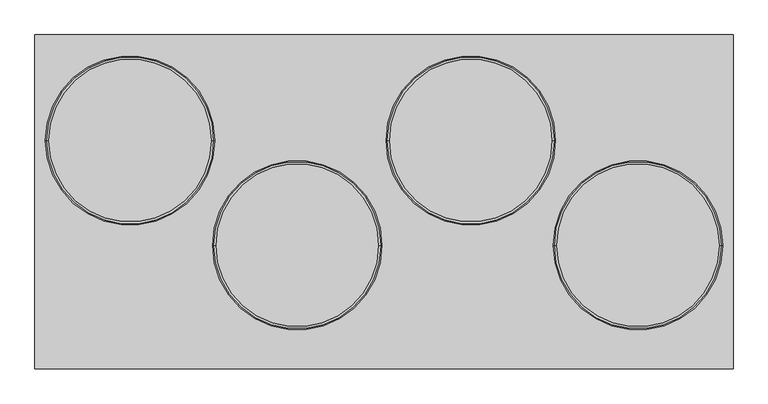
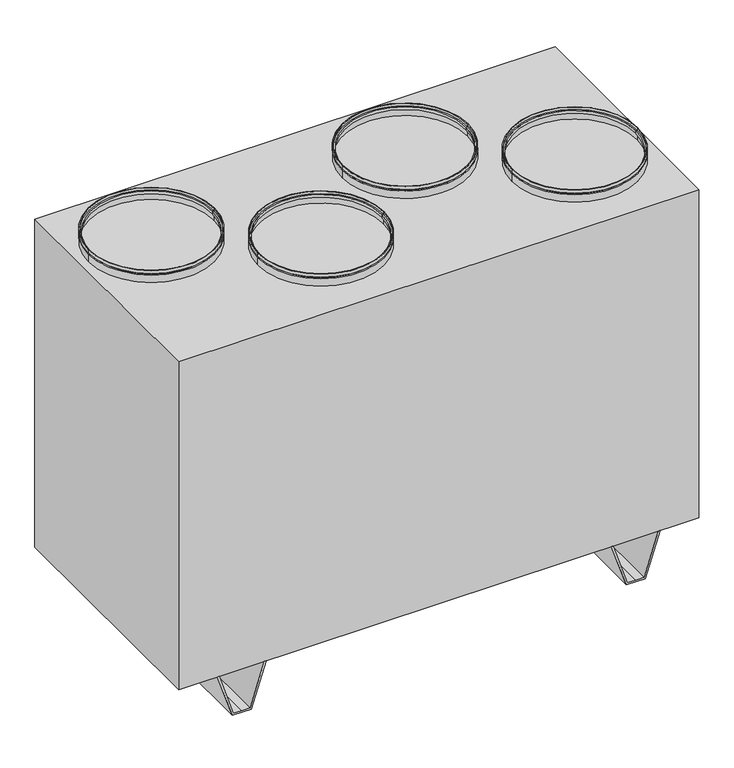
"""IFC4 building model written with IfcOpenShell, lengths in millimetres: proxy geometry."""

from ifc_helpers import new_model, si_unit, frame, origin, place, context, project, spatial, polyline, circle_curve, outline, extrude, source, transform, mapped, element, save
from ifc_brep_helpers import plane_surface, cylinder_surface, revolved_surface, advanced_brep


def mechanical_equipment_287215f2(model_context):
    return source(origin(), model_context, "Body", "SolidModel", [
        advanced_brep(
        [(800.0, -103.0, 1275.0), (400.0, -103.0, 1275.0), (400.0, -103.0, 1285.0), (800.0, -103.0, 1285.0), (795.0, -103.0, 1275.0), (405.0, -103.0, 1275.0), (795.0, -103.0, 1270.0), (405.0, -103.0, 1270.0), (800.0, -103.0, 1270.0), (400.0, -103.0, 1270.0), (800.0, -103.0, 1245.0), (400.0, -103.0, 1245.0), (798.0, -103.0, 1245.0), (402.0, -103.0, 1245.0), (798.0, -103.0, 1268.0), (402.0, -103.0, 1268.0), (793.0, -103.0, 1268.0), (407.0, -103.0, 1268.0), (793.0, -103.0, 1277.0), (407.0, -103.0, 1277.0), (798.0, -103.0, 1277.0), (402.0, -103.0, 1277.0), (798.0, -103.0, 1285.0), (402.0, -103.0, 1285.0)],
        [
            (0, 1, circle_curve(frame((600.0, -103.0, 1275.0), z_axis=(0.0, 0.0, 1.0), x_axis=(-1.0, 0.0, 0.0)), 200.0)),
            (1, 2),
            (2, 3, circle_curve(frame((600.0, -103.0, 1285.0), z_axis=(0.0, 0.0, -1.0), x_axis=(-1.0, 0.0, 0.0)), 200.0)),
            (3, 0),
            (1, 0, circle_curve(frame((600.0, -103.0, 1275.0), z_axis=(0.0, 0.0, 1.0), x_axis=(-1.0, 0.0, 0.0)), 200.0)),
            (3, 2, circle_curve(frame((600.0, -103.0, 1285.0), z_axis=(0.0, 0.0, -1.0), x_axis=(-1.0, 0.0, 0.0)), 200.0)),
            (4, 5, circle_curve(frame((600.0, -103.0, 1275.0), z_axis=(0.0, 0.0, 1.0), x_axis=(-1.0, 0.0, 0.0)), 195.0)),
            (5, 1),
            (0, 4),
            (5, 4, circle_curve(frame((600.0, -103.0, 1275.0), z_axis=(0.0, 0.0, 1.0), x_axis=(-1.0, 0.0, 0.0)), 195.0)),
            (6, 7, circle_curve(frame((600.0, -103.0, 1270.0), z_axis=(0.0, 0.0, 1.0), x_axis=(-1.0, 0.0, 0.0)), 195.0)),
            (7, 5),
            (4, 6),
            (7, 6, circle_curve(frame((600.0, -103.0, 1270.0), z_axis=(0.0, 0.0, 1.0), x_axis=(-1.0, 0.0, 0.0)), 195.0)),
            (8, 9, circle_curve(frame((600.0, -103.0, 1270.0), z_axis=(0.0, 0.0, 1.0), x_axis=(-1.0, 0.0, 0.0)), 200.0)),
            (9, 7),
            (6, 8),
            (9, 8, circle_curve(frame((600.0, -103.0, 1270.0), z_axis=(0.0, 0.0, 1.0), x_axis=(-1.0, 0.0, 0.0)), 200.0)),
            (10, 11, circle_curve(frame((600.0, -103.0, 1245.0), z_axis=(0.0, 0.0, 1.0), x_axis=(-1.0, 0.0, 0.0)), 200.0)),
            (11, 9),
            (8, 10),
            (11, 10, circle_curve(frame((600.0, -103.0, 1245.0), z_axis=(0.0, 0.0, 1.0), x_axis=(-1.0, 0.0, 0.0)), 200.0)),
            (12, 13, circle_curve(frame((600.0, -103.0, 1245.0), z_axis=(0.0, 0.0, 1.0), x_axis=(-1.0, 0.0, 0.0)), 198.0)),
            (13, 11),
            (10, 12),
            (13, 12, circle_curve(frame((600.0, -103.0, 1245.0), z_axis=(0.0, 0.0, 1.0), x_axis=(-1.0, 0.0, 0.0)), 198.0)),
            (14, 15, circle_curve(frame((600.0, -103.0, 1268.0), z_axis=(0.0, 0.0, 1.0), x_axis=(-1.0, 0.0, 0.0)), 198.0)),
            (15, 13),
            (12, 14),
            (15, 14, circle_curve(frame((600.0, -103.0, 1268.0), z_axis=(0.0, 0.0, 1.0), x_axis=(-1.0, 0.0, 0.0)), 198.0)),
            (16, 17, circle_curve(frame((600.0, -103.0, 1268.0), z_axis=(0.0, 0.0, 1.0), x_axis=(-1.0, 0.0, 0.0)), 193.0)),
            (17, 15),
            (14, 16),
            (17, 16, circle_curve(frame((600.0, -103.0, 1268.0), z_axis=(0.0, 0.0, 1.0), x_axis=(-1.0, 0.0, 0.0)), 193.0)),
            (18, 19, circle_curve(frame((600.0, -103.0, 1277.0), z_axis=(0.0, 0.0, 1.0), x_axis=(-1.0, 0.0, 0.0)), 193.0)),
            (19, 17),
            (16, 18),
            (19, 18, circle_curve(frame((600.0, -103.0, 1277.0), z_axis=(0.0, 0.0, 1.0), x_axis=(-1.0, 0.0, 0.0)), 193.0)),
            (20, 21, circle_curve(frame((600.0, -103.0, 1277.0), z_axis=(0.0, 0.0, 1.0), x_axis=(-1.0, 0.0, 0.0)), 198.0)),
            (21, 19),
            (18, 20),
            (21, 20, circle_curve(frame((600.0, -103.0, 1277.0), z_axis=(0.0, 0.0, 1.0), x_axis=(-1.0, 0.0, 0.0)), 198.0)),
            (22, 23, circle_curve(frame((600.0, -103.0, 1285.0), z_axis=(0.0, 0.0, 1.0), x_axis=(-1.0, 0.0, 0.0)), 198.0)),
            (23, 21),
            (20, 22),
            (23, 22, circle_curve(frame((600.0, -103.0, 1285.0), z_axis=(0.0, 0.0, 1.0), x_axis=(-1.0, 0.0, 0.0)), 198.0)),
            (2, 23),
            (22, 3),
        ],
        [
            cylinder_surface(frame((600.0, -103.0, 2820.0440172), z_axis=(0.0, 0.0, -1.0), x_axis=(-1.0, 0.0, 0.0)), 200.0),
            plane_surface(frame((600.0, -103.0, 1275.0), z_axis=(0.0, 0.0, -1.0), x_axis=(-1.0, 0.0, 0.0))),
            cylinder_surface(frame((600.0, -103.0, 2820.0440172), z_axis=(0.0, 0.0, -1.0), x_axis=(-1.0, 0.0, 0.0)), 195.0),
            plane_surface(frame((600.0, -103.0, 1270.0), z_axis=(0.0, 0.0, 1.0), x_axis=(-1.0, 0.0, 0.0))),
            plane_surface(frame((600.0, -103.0, 1245.0), z_axis=(0.0, 0.0, -1.0), x_axis=(-1.0, 0.0, 0.0))),
            revolved_surface(polyline([(402.0, -103.0, 1245.0), (402.0, -103.0, 1268.0)]), (600.0, -103.0, 2820.0440172), (0.0, 0.0, -1.0)),
            plane_surface(frame((600.0, -103.0, 1268.0), z_axis=(0.0, 0.0, -1.0), x_axis=(-1.0, 0.0, 0.0))),
            revolved_surface(polyline([(407.0, -103.0, 1268.0), (407.0, -103.0, 1277.0)]), (600.0, -103.0, 2820.0440172), (0.0, 0.0, -1.0)),
            plane_surface(frame((600.0, -103.0, 1277.0), z_axis=(0.0, 0.0, 1.0), x_axis=(-1.0, 0.0, 0.0))),
            revolved_surface(polyline([(402.0, -103.0, 1277.0), (402.0, -103.0, 1285.0)]), (600.0, -103.0, 2820.0440172), (0.0, 0.0, -1.0)),
            plane_surface(frame((600.0, -103.0, 1285.0), z_axis=(0.0, 0.0, 1.0), x_axis=(-1.0, 0.0, 0.0))),
        ],
        [
            (0, [[1, 2, 3, 4]]),
            (0, [[5, -4, 6, -2]]),
            (1, [[7, 8, -1, 9]]),
            (1, [[10, -9, -5, -8]]),
            (2, [[11, 12, -7, 13]]),
            (2, [[14, -13, -10, -12]]),
            (3, [[15, 16, -11, 17]]),
            (3, [[18, -17, -14, -16]]),
            (0, [[19, 20, -15, 21]]),
            (0, [[22, -21, -18, -20]]),
            (4, [[23, 24, -19, 25]]),
            (4, [[26, -25, -22, -24]]),
            (5, [[27, 28, -23, 29]]),
            (5, [[30, -29, -26, -28]]),
            (6, [[31, 32, -27, 33]]),
            (6, [[34, -33, -30, -32]]),
            (7, [[35, 36, -31, 37]]),
            (7, [[38, -37, -34, -36]]),
            (8, [[39, 40, -35, 41]]),
            (8, [[42, -41, -38, -40]]),
            (9, [[43, 44, -39, 45]]),
            (9, [[46, -45, -42, -44]]),
            (10, [[-3, 47, -43, 48]]),
            (10, [[-6, -48, -46, -47]]),
        ],
    ),
        advanced_brep(
        [(405.0, 145.0, 1275.0), (5.0, 145.0, 1275.0), (5.0, 145.0, 1285.0), (405.0, 145.0, 1285.0), (400.0, 145.0, 1275.0), (10.0, 145.0, 1275.0), (400.0, 145.0, 1270.0), (10.0, 145.0, 1270.0), (405.0, 145.0, 1270.0), (5.0, 145.0, 1270.0), (405.0, 145.0, 1245.0), (5.0, 145.0, 1245.0), (403.0, 145.0, 1245.0), (7.0, 145.0, 1245.0), (403.0, 145.0, 1268.0), (7.0, 145.0, 1268.0), (398.0, 145.0, 1268.0), (12.0, 145.0, 1268.0), (398.0, 145.0, 1277.0), (12.0, 145.0, 1277.0), (403.0, 145.0, 1277.0), (7.0, 145.0, 1277.0), (403.0, 145.0, 1285.0), (7.0, 145.0, 1285.0)],
        [
            (0, 1, circle_curve(frame((205.0, 145.0, 1275.0), z_axis=(0.0, 0.0, 1.0), x_axis=(-1.0, 0.0, 0.0)), 200.0)),
            (1, 2),
            (2, 3, circle_curve(frame((205.0, 145.0, 1285.0), z_axis=(0.0, 0.0, -1.0), x_axis=(-1.0, 0.0, 0.0)), 200.0)),
            (3, 0),
            (1, 0, circle_curve(frame((205.0, 145.0, 1275.0), z_axis=(0.0, 0.0, 1.0), x_axis=(-1.0, 0.0, 0.0)), 200.0)),
            (3, 2, circle_curve(frame((205.0, 145.0, 1285.0), z_axis=(0.0, 0.0, -1.0), x_axis=(-1.0, 0.0, 0.0)), 200.0)),
            (4, 5, circle_curve(frame((205.0, 145.0, 1275.0), z_axis=(0.0, 0.0, 1.0), x_axis=(-1.0, 0.0, 0.0)), 195.0)),
            (5, 1),
            (0, 4),
            (5, 4, circle_curve(frame((205.0, 145.0, 1275.0), z_axis=(0.0, 0.0, 1.0), x_axis=(-1.0, 0.0, 0.0)), 195.0)),
            (6, 7, circle_curve(frame((205.0, 145.0, 1270.0), z_axis=(0.0, 0.0, 1.0), x_axis=(-1.0, 0.0, 0.0)), 195.0)),
            (7, 5),
            (4, 6),
            (7, 6, circle_curve(frame((205.0, 145.0, 1270.0), z_axis=(0.0, 0.0, 1.0), x_axis=(-1.0, 0.0, 0.0)), 195.0)),
            (8, 9, circle_curve(frame((205.0, 145.0, 1270.0), z_axis=(0.0, 0.0, 1.0), x_axis=(-1.0, 0.0, 0.0)), 200.0)),
            (9, 7),
            (6, 8),
            (9, 8, circle_curve(frame((205.0, 145.0, 1270.0), z_axis=(0.0, 0.0, 1.0), x_axis=(-1.0, 0.0, 0.0)), 200.0)),
            (10, 11, circle_curve(frame((205.0, 145.0, 1245.0), z_axis=(0.0, 0.0, 1.0), x_axis=(-1.0, 0.0, 0.0)), 200.0)),
            (11, 9),
            (8, 10),
            (11, 10, circle_curve(frame((205.0, 145.0, 1245.0), z_axis=(0.0, 0.0, 1.0), x_axis=(-1.0, 0.0, 0.0)), 200.0)),
            (12, 13, circle_curve(frame((205.0, 145.0, 1245.0), z_axis=(0.0, 0.0, 1.0), x_axis=(-1.0, 0.0, 0.0)), 198.0)),
            (13, 11),
            (10, 12),
            (13, 12, circle_curve(frame((205.0, 145.0, 1245.0), z_axis=(0.0, 0.0, 1.0), x_axis=(-1.0, 0.0, 0.0)), 198.0)),
            (14, 15, circle_curve(frame((205.0, 145.0, 1268.0), z_axis=(0.0, 0.0, 1.0), x_axis=(-1.0, 0.0, 0.0)), 198.0)),
            (15, 13),
            (12, 14),
            (15, 14, circle_curve(frame((205.0, 145.0, 1268.0), z_axis=(0.0, 0.0, 1.0), x_axis=(-1.0, 0.0, 0.0)), 198.0)),
            (16, 17, circle_curve(frame((205.0, 145.0, 1268.0), z_axis=(0.0, 0.0, 1.0), x_axis=(-1.0, 0.0, 0.0)), 193.0)),
            (17, 15),
            (14, 16),
            (17, 16, circle_curve(frame((205.0, 145.0, 1268.0), z_axis=(0.0, 0.0, 1.0), x_axis=(-1.0, 0.0, 0.0)), 193.0)),
            (18, 19, circle_curve(frame((205.0, 145.0, 1277.0), z_axis=(0.0, 0.0, 1.0), x_axis=(-1.0, 0.0, 0.0)), 193.0)),
            (19, 17),
            (16, 18),
            (19, 18, circle_curve(frame((205.0, 145.0, 1277.0), z_axis=(0.0, 0.0, 1.0), x_axis=(-1.0, 0.0, 0.0)), 193.0)),
            (20, 21, circle_curve(frame((205.0, 145.0, 1277.0), z_axis=(0.0, 0.0, 1.0), x_axis=(-1.0, 0.0, 0.0)), 198.0)),
            (21, 19),
            (18, 20),
            (21, 20, circle_curve(frame((205.0, 145.0, 1277.0), z_axis=(0.0, 0.0, 1.0), x_axis=(-1.0, 0.0, 0.0)), 198.0)),
            (22, 23, circle_curve(frame((205.0, 145.0, 1285.0), z_axis=(0.0, 0.0, 1.0), x_axis=(-1.0, 0.0, 0.0)), 198.0)),
            (23, 21),
            (20, 22),
            (23, 22, circle_curve(frame((205.0, 145.0, 1285.0), z_axis=(0.0, 0.0, 1.0), x_axis=(-1.0, 0.0, 0.0)), 198.0)),
            (2, 23),
            (22, 3),
        ],
        [
            cylinder_surface(frame((205.0, 145.0, 2820.0440172), z_axis=(0.0, 0.0, -1.0), x_axis=(-1.0, 0.0, 0.0)), 200.0),
            plane_surface(frame((205.0, 145.0, 1275.0), z_axis=(0.0, 0.0, -1.0), x_axis=(-1.0, 0.0, 0.0))),
            cylinder_surface(frame((205.0, 145.0, 2820.0440172), z_axis=(0.0, 0.0, -1.0), x_axis=(-1.0, 0.0, 0.0)), 195.0),
            plane_surface(frame((205.0, 145.0, 1270.0), z_axis=(0.0, 0.0, 1.0), x_axis=(-1.0, 0.0, 0.0))),
            plane_surface(frame((205.0, 145.0, 1245.0), z_axis=(0.0, 0.0, -1.0), x_axis=(-1.0, 0.0, 0.0))),
            revolved_surface(polyline([(7.0, 145.0, 1245.0), (7.0, 145.0, 1268.0)]), (205.0, 145.0, 2820.0440172), (0.0, 0.0, -1.0)),
            plane_surface(frame((205.0, 145.0, 1268.0), z_axis=(0.0, 0.0, -1.0), x_axis=(-1.0, 0.0, 0.0))),
            revolved_surface(polyline([(12.0, 145.0, 1268.0), (12.0, 145.0, 1277.0)]), (205.0, 145.0, 2820.0440172), (0.0, 0.0, -1.0)),
            plane_surface(frame((205.0, 145.0, 1277.0), z_axis=(0.0, 0.0, 1.0), x_axis=(-1.0, 0.0, 0.0))),
            revolved_surface(polyline([(7.0, 145.0, 1277.0), (7.0, 145.0, 1285.0)]), (205.0, 145.0, 2820.0440172), (0.0, 0.0, -1.0)),
            plane_surface(frame((205.0, 145.0, 1285.0), z_axis=(0.0, 0.0, 1.0), x_axis=(-1.0, 0.0, 0.0))),
        ],
        [
            (0, [[1, 2, 3, 4]]),
            (0, [[5, -4, 6, -2]]),
            (1, [[7, 8, -1, 9]]),
            (1, [[10, -9, -5, -8]]),
            (2, [[11, 12, -7, 13]]),
            (2, [[14, -13, -10, -12]]),
            (3, [[15, 16, -11, 17]]),
            (3, [[18, -17, -14, -16]]),
            (0, [[19, 20, -15, 21]]),
            (0, [[22, -21, -18, -20]]),
            (4, [[23, 24, -19, 25]]),
            (4, [[26, -25, -22, -24]]),
            (5, [[27, 28, -23, 29]]),
            (5, [[30, -29, -26, -28]]),
            (6, [[31, 32, -27, 33]]),
            (6, [[34, -33, -30, -32]]),
            (7, [[35, 36, -31, 37]]),
            (7, [[38, -37, -34, -36]]),
            (8, [[39, 40, -35, 41]]),
            (8, [[42, -41, -38, -40]]),
            (9, [[43, 44, -39, 45]]),
            (9, [[46, -45, -42, -44]]),
            (10, [[-3, 47, -43, 48]]),
            (10, [[-6, -48, -46, -47]]),
        ],
    ),
        advanced_brep(
        [(-5.0, -103.0, 1275.0), (-405.0, -103.0, 1275.0), (-405.0, -103.0, 1285.0), (-5.0, -103.0, 1285.0), (-10.0, -103.0, 1275.0), (-400.0, -103.0, 1275.0), (-10.0, -103.0, 1270.0), (-400.0, -103.0, 1270.0), (-5.0, -103.0, 1270.0), (-405.0, -103.0, 1270.0), (-5.0, -103.0, 1245.0), (-405.0, -103.0, 1245.0), (-7.0, -103.0, 1245.0), (-403.0, -103.0, 1245.0), (-7.0, -103.0, 1268.0), (-403.0, -103.0, 1268.0), (-12.0, -103.0, 1268.0), (-398.0, -103.0, 1268.0), (-12.0, -103.0, 1277.0), (-398.0, -103.0, 1277.0), (-7.0, -103.0, 1277.0), (-403.0, -103.0, 1277.0), (-7.0, -103.0, 1285.0), (-403.0, -103.0, 1285.0)],
        [
            (0, 1, circle_curve(frame((-205.0, -103.0, 1275.0), z_axis=(0.0, 0.0, 1.0), x_axis=(-1.0, 0.0, 0.0)), 200.0)),
            (1, 2),
            (2, 3, circle_curve(frame((-205.0, -103.0, 1285.0), z_axis=(0.0, 0.0, -1.0), x_axis=(-1.0, 0.0, 0.0)), 200.0)),
            (3, 0),
            (1, 0, circle_curve(frame((-205.0, -103.0, 1275.0), z_axis=(0.0, 0.0, 1.0), x_axis=(-1.0, 0.0, 0.0)), 200.0)),
            (3, 2, circle_curve(frame((-205.0, -103.0, 1285.0), z_axis=(0.0, 0.0, -1.0), x_axis=(-1.0, 0.0, 0.0)), 200.0)),
            (4, 5, circle_curve(frame((-205.0, -103.0, 1275.0), z_axis=(0.0, 0.0, 1.0), x_axis=(-1.0, 0.0, 0.0)), 195.0)),
            (5, 1),
            (0, 4),
            (5, 4, circle_curve(frame((-205.0, -103.0, 1275.0), z_axis=(0.0, 0.0, 1.0), x_axis=(-1.0, 0.0, 0.0)), 195.0)),
            (6, 7, circle_curve(frame((-205.0, -103.0, 1270.0), z_axis=(0.0, 0.0, 1.0), x_axis=(-1.0, 0.0, 0.0)), 195.0)),
            (7, 5),
            (4, 6),
            (7, 6, circle_curve(frame((-205.0, -103.0, 1270.0), z_axis=(0.0, 0.0, 1.0), x_axis=(-1.0, 0.0, 0.0)), 195.0)),
            (8, 9, circle_curve(frame((-205.0, -103.0, 1270.0), z_axis=(0.0, 0.0, 1.0), x_axis=(-1.0, 0.0, 0.0)), 200.0)),
            (9, 7),
            (6, 8),
            (9, 8, circle_curve(frame((-205.0, -103.0, 1270.0), z_axis=(0.0, 0.0, 1.0), x_axis=(-1.0, 0.0, 0.0)), 200.0)),
            (10, 11, circle_curve(frame((-205.0, -103.0, 1245.0), z_axis=(0.0, 0.0, 1.0), x_axis=(-1.0, 0.0, 0.0)), 200.0)),
            (11, 9),
            (8, 10),
            (11, 10, circle_curve(frame((-205.0, -103.0, 1245.0), z_axis=(0.0, 0.0, 1.0), x_axis=(-1.0, 0.0, 0.0)), 200.0)),
            (12, 13, circle_curve(frame((-205.0, -103.0, 1245.0), z_axis=(0.0, 0.0, 1.0), x_axis=(-1.0, 0.0, 0.0)), 198.0)),
            (13, 11),
            (10, 12),
            (13, 12, circle_curve(frame((-205.0, -103.0, 1245.0), z_axis=(0.0, 0.0, 1.0), x_axis=(-1.0, 0.0, 0.0)), 198.0)),
            (14, 15, circle_curve(frame((-205.0, -103.0, 1268.0), z_axis=(0.0, 0.0, 1.0), x_axis=(-1.0, 0.0, 0.0)), 198.0)),
            (15, 13),
            (12, 14),
            (15, 14, circle_curve(frame((-205.0, -103.0, 1268.0), z_axis=(0.0, 0.0, 1.0), x_axis=(-1.0, 0.0, 0.0)), 198.0)),
            (16, 17, circle_curve(frame((-205.0, -103.0, 1268.0), z_axis=(0.0, 0.0, 1.0), x_axis=(-1.0, 0.0, 0.0)), 193.0)),
            (17, 15),
            (14, 16),
            (17, 16, circle_curve(frame((-205.0, -103.0, 1268.0), z_axis=(0.0, 0.0, 1.0), x_axis=(-1.0, 0.0, 0.0)), 193.0)),
            (18, 19, circle_curve(frame((-205.0, -103.0, 1277.0), z_axis=(0.0, 0.0, 1.0), x_axis=(-1.0, 0.0, 0.0)), 193.0)),
            (19, 17),
            (16, 18),
            (19, 18, circle_curve(frame((-205.0, -103.0, 1277.0), z_axis=(0.0, 0.0, 1.0), x_axis=(-1.0, 0.0, 0.0)), 193.0)),
            (20, 21, circle_curve(frame((-205.0, -103.0, 1277.0), z_axis=(0.0, 0.0, 1.0), x_axis=(-1.0, 0.0, 0.0)), 198.0)),
            (21, 19),
            (18, 20),
            (21, 20, circle_curve(frame((-205.0, -103.0, 1277.0), z_axis=(0.0, 0.0, 1.0), x_axis=(-1.0, 0.0, 0.0)), 198.0)),
            (22, 23, circle_curve(frame((-205.0, -103.0, 1285.0), z_axis=(0.0, 0.0, 1.0), x_axis=(-1.0, 0.0, 0.0)), 198.0)),
            (23, 21),
            (20, 22),
            (23, 22, circle_curve(frame((-205.0, -103.0, 1285.0), z_axis=(0.0, 0.0, 1.0), x_axis=(-1.0, 0.0, 0.0)), 198.0)),
            (2, 23),
            (22, 3),
        ],
        [
            cylinder_surface(frame((-205.0, -103.0, 2820.0440172), z_axis=(0.0, 0.0, -1.0), x_axis=(-1.0, 0.0, 0.0)), 200.0),
            plane_surface(frame((-205.0, -103.0, 1275.0), z_axis=(0.0, 0.0, -1.0), x_axis=(-1.0, 0.0, 0.0))),
            cylinder_surface(frame((-205.0, -103.0, 2820.0440172), z_axis=(0.0, 0.0, -1.0), x_axis=(-1.0, 0.0, 0.0)), 195.0),
            plane_surface(frame((-205.0, -103.0, 1270.0), z_axis=(0.0, 0.0, 1.0), x_axis=(-1.0, 0.0, 0.0))),
            plane_surface(frame((-205.0, -103.0, 1245.0), z_axis=(0.0, 0.0, -1.0), x_axis=(-1.0, 0.0, 0.0))),
            revolved_surface(polyline([(-403.0, -103.0, 1245.0), (-403.0, -103.0, 1268.0)]), (-205.0, -103.0, 2820.0440172), (0.0, 0.0, -1.0)),
            plane_surface(frame((-205.0, -103.0, 1268.0), z_axis=(0.0, 0.0, -1.0), x_axis=(-1.0, 0.0, 0.0))),
            revolved_surface(polyline([(-398.0, -103.0, 1268.0), (-398.0, -103.0, 1277.0)]), (-205.0, -103.0, 2820.0440172), (0.0, 0.0, -1.0)),
            plane_surface(frame((-205.0, -103.0, 1277.0), z_axis=(0.0, 0.0, 1.0), x_axis=(-1.0, 0.0, 0.0))),
            revolved_surface(polyline([(-403.0, -103.0, 1277.0), (-403.0, -103.0, 1285.0)]), (-205.0, -103.0, 2820.0440172), (0.0, 0.0, -1.0)),
            plane_surface(frame((-205.0, -103.0, 1285.0), z_axis=(0.0, 0.0, 1.0), x_axis=(-1.0, 0.0, 0.0))),
        ],
        [
            (0, [[1, 2, 3, 4]]),
            (0, [[5, -4, 6, -2]]),
            (1, [[7, 8, -1, 9]]),
            (1, [[10, -9, -5, -8]]),
            (2, [[11, 12, -7, 13]]),
            (2, [[14, -13, -10, -12]]),
            (3, [[15, 16, -11, 17]]),
            (3, [[18, -17, -14, -16]]),
            (0, [[19, 20, -15, 21]]),
            (0, [[22, -21, -18, -20]]),
            (4, [[23, 24, -19, 25]]),
            (4, [[26, -25, -22, -24]]),
            (5, [[27, 28, -23, 29]]),
            (5, [[30, -29, -26, -28]]),
            (6, [[31, 32, -27, 33]]),
            (6, [[34, -33, -30, -32]]),
            (7, [[35, 36, -31, 37]]),
            (7, [[38, -37, -34, -36]]),
            (8, [[39, 40, -35, 41]]),
            (8, [[42, -41, -38, -40]]),
            (9, [[43, 44, -39, 45]]),
            (9, [[46, -45, -42, -44]]),
            (10, [[-3, 47, -43, 48]]),
            (10, [[-6, -48, -46, -47]]),
        ],
    ),
        advanced_brep(
        [(-400.0, 145.0, 1275.0), (-800.0, 145.0, 1275.0), (-800.0, 145.0, 1285.0), (-400.0, 145.0, 1285.0), (-405.0, 145.0, 1275.0), (-795.0, 145.0, 1275.0), (-405.0, 145.0, 1270.0), (-795.0, 145.0, 1270.0), (-400.0, 145.0, 1270.0), (-800.0, 145.0, 1270.0), (-400.0, 145.0, 1245.0), (-800.0, 145.0, 1245.0), (-402.0, 145.0, 1245.0), (-798.0, 145.0, 1245.0), (-402.0, 145.0, 1268.0), (-798.0, 145.0, 1268.0), (-407.0, 145.0, 1268.0), (-793.0, 145.0, 1268.0), (-407.0, 145.0, 1277.0), (-793.0, 145.0, 1277.0), (-402.0, 145.0, 1277.0), (-798.0, 145.0, 1277.0), (-402.0, 145.0, 1285.0), (-798.0, 145.0, 1285.0)],
        [
            (0, 1, circle_curve(frame((-600.0, 145.0, 1275.0), z_axis=(0.0, 0.0, 1.0), x_axis=(-1.0, 0.0, 0.0)), 200.0)),
            (1, 2),
            (2, 3, circle_curve(frame((-600.0, 145.0, 1285.0), z_axis=(0.0, 0.0, -1.0), x_axis=(-1.0, 0.0, 0.0)), 200.0)),
            (3, 0),
            (1, 0, circle_curve(frame((-600.0, 145.0, 1275.0), z_axis=(0.0, 0.0, 1.0), x_axis=(-1.0, 0.0, 0.0)), 200.0)),
            (3, 2, circle_curve(frame((-600.0, 145.0, 1285.0), z_axis=(0.0, 0.0, -1.0), x_axis=(-1.0, 0.0, 0.0)), 200.0)),
            (4, 5, circle_curve(frame((-600.0, 145.0, 1275.0), z_axis=(0.0, 0.0, 1.0), x_axis=(-1.0, 0.0, 0.0)), 195.0)),
            (5, 1),
            (0, 4),
            (5, 4, circle_curve(frame((-600.0, 145.0, 1275.0), z_axis=(0.0, 0.0, 1.0), x_axis=(-1.0, 0.0, 0.0)), 195.0)),
            (6, 7, circle_curve(frame((-600.0, 145.0, 1270.0), z_axis=(0.0, 0.0, 1.0), x_axis=(-1.0, 0.0, 0.0)), 195.0)),
            (7, 5),
            (4, 6),
            (7, 6, circle_curve(frame((-600.0, 145.0, 1270.0), z_axis=(0.0, 0.0, 1.0), x_axis=(-1.0, 0.0, 0.0)), 195.0)),
            (8, 9, circle_curve(frame((-600.0, 145.0, 1270.0), z_axis=(0.0, 0.0, 1.0), x_axis=(-1.0, 0.0, 0.0)), 200.0)),
            (9, 7),
            (6, 8),
            (9, 8, circle_curve(frame((-600.0, 145.0, 1270.0), z_axis=(0.0, 0.0, 1.0), x_axis=(-1.0, 0.0, 0.0)), 200.0)),
            (10, 11, circle_curve(frame((-600.0, 145.0, 1245.0), z_axis=(0.0, 0.0, 1.0), x_axis=(-1.0, 0.0, 0.0)), 200.0)),
            (11, 9),
            (8, 10),
            (11, 10, circle_curve(frame((-600.0, 145.0, 1245.0), z_axis=(0.0, 0.0, 1.0), x_axis=(-1.0, 0.0, 0.0)), 200.0)),
            (12, 13, circle_curve(frame((-600.0, 145.0, 1245.0), z_axis=(0.0, 0.0, 1.0), x_axis=(-1.0, 0.0, 0.0)), 198.0)),
            (13, 11),
            (10, 12),
            (13, 12, circle_curve(frame((-600.0, 145.0, 1245.0), z_axis=(0.0, 0.0, 1.0), x_axis=(-1.0, 0.0, 0.0)), 198.0)),
            (14, 15, circle_curve(frame((-600.0, 145.0, 1268.0), z_axis=(0.0, 0.0, 1.0), x_axis=(-1.0, 0.0, 0.0)), 198.0)),
            (15, 13),
            (12, 14),
            (15, 14, circle_curve(frame((-600.0, 145.0, 1268.0), z_axis=(0.0, 0.0, 1.0), x_axis=(-1.0, 0.0, 0.0)), 198.0)),
            (16, 17, circle_curve(frame((-600.0, 145.0, 1268.0), z_axis=(0.0, 0.0, 1.0), x_axis=(-1.0, 0.0, 0.0)), 193.0)),
            (17, 15),
            (14, 16),
            (17, 16, circle_curve(frame((-600.0, 145.0, 1268.0), z_axis=(0.0, 0.0, 1.0), x_axis=(-1.0, 0.0, 0.0)), 193.0)),
            (18, 19, circle_curve(frame((-600.0, 145.0, 1277.0), z_axis=(0.0, 0.0, 1.0), x_axis=(-1.0, 0.0, 0.0)), 193.0)),
            (19, 17),
            (16, 18),
            (19, 18, circle_curve(frame((-600.0, 145.0, 1277.0), z_axis=(0.0, 0.0, 1.0), x_axis=(-1.0, 0.0, 0.0)), 193.0)),
            (20, 21, circle_curve(frame((-600.0, 145.0, 1277.0), z_axis=(0.0, 0.0, 1.0), x_axis=(-1.0, 0.0, 0.0)), 198.0)),
            (21, 19),
            (18, 20),
            (21, 20, circle_curve(frame((-600.0, 145.0, 1277.0), z_axis=(0.0, 0.0, 1.0), x_axis=(-1.0, 0.0, 0.0)), 198.0)),
            (22, 23, circle_curve(frame((-600.0, 145.0, 1285.0), z_axis=(0.0, 0.0, 1.0), x_axis=(-1.0, 0.0, 0.0)), 198.0)),
            (23, 21),
            (20, 22),
            (23, 22, circle_curve(frame((-600.0, 145.0, 1285.0), z_axis=(0.0, 0.0, 1.0), x_axis=(-1.0, 0.0, 0.0)), 198.0)),
            (2, 23),
            (22, 3),
        ],
        [
            cylinder_surface(frame((-600.0, 145.0, 2820.0440172), z_axis=(0.0, 0.0, -1.0), x_axis=(-1.0, 0.0, 0.0)), 200.0),
            plane_surface(frame((-600.0, 145.0, 1275.0), z_axis=(0.0, 0.0, -1.0), x_axis=(-1.0, 0.0, 0.0))),
            cylinder_surface(frame((-600.0, 145.0, 2820.0440172), z_axis=(0.0, 0.0, -1.0), x_axis=(-1.0, 0.0, 0.0)), 195.0),
            plane_surface(frame((-600.0, 145.0, 1270.0), z_axis=(0.0, 0.0, 1.0), x_axis=(-1.0, 0.0, 0.0))),
            plane_surface(frame((-600.0, 145.0, 1245.0), z_axis=(0.0, 0.0, -1.0), x_axis=(-1.0, 0.0, 0.0))),
            revolved_surface(polyline([(-798.0, 145.0, 1245.0), (-798.0, 145.0, 1268.0)]), (-600.0, 145.0, 2820.0440172), (0.0, 0.0, -1.0)),
            plane_surface(frame((-600.0, 145.0, 1268.0), z_axis=(0.0, 0.0, -1.0), x_axis=(-1.0, 0.0, 0.0))),
            revolved_surface(polyline([(-793.0, 145.0, 1268.0), (-793.0, 145.0, 1277.0)]), (-600.0, 145.0, 2820.0440172), (0.0, 0.0, -1.0)),
            plane_surface(frame((-600.0, 145.0, 1277.0), z_axis=(0.0, 0.0, 1.0), x_axis=(-1.0, 0.0, 0.0))),
            revolved_surface(polyline([(-798.0, 145.0, 1277.0), (-798.0, 145.0, 1285.0)]), (-600.0, 145.0, 2820.0440172), (0.0, 0.0, -1.0)),
            plane_surface(frame((-600.0, 145.0, 1285.0), z_axis=(0.0, 0.0, 1.0), x_axis=(-1.0, 0.0, 0.0))),
        ],
        [
            (0, [[1, 2, 3, 4]]),
            (0, [[5, -4, 6, -2]]),
            (1, [[7, 8, -1, 9]]),
            (1, [[10, -9, -5, -8]]),
            (2, [[11, 12, -7, 13]]),
            (2, [[14, -13, -10, -12]]),
            (3, [[15, 16, -11, 17]]),
            (3, [[18, -17, -14, -16]]),
            (0, [[19, 20, -15, 21]]),
            (0, [[22, -21, -18, -20]]),
            (4, [[23, 24, -19, 25]]),
            (4, [[26, -25, -22, -24]]),
            (5, [[27, 28, -23, 29]]),
            (5, [[30, -29, -26, -28]]),
            (6, [[31, 32, -27, 33]]),
            (6, [[34, -33, -30, -32]]),
            (7, [[35, 36, -31, 37]]),
            (7, [[38, -37, -34, -36]]),
            (8, [[39, 40, -35, 41]]),
            (8, [[42, -41, -38, -40]]),
            (9, [[43, 44, -39, 45]]),
            (9, [[46, -45, -42, -44]]),
            (10, [[-3, 47, -43, 48]]),
            (10, [[-6, -48, -46, -47]]),
        ],
    ),
        extrude(outline(polyline([(0.0, 655.0), (145.0, 702.113356), (145.0, 696.8560448), (5.0, 651.3672874), (5.0, 625.0), (5.0, 598.6327126), (145.0, 553.1439552), (145.0, 547.886644), (0.0, 595.0), (0.0, 625.0), (0.0, 655.0)])), frame((0.0, -395.0, 0.0), z_axis=(0.0, 1.0, 0.0), x_axis=(0.0, 0.0, 1.0)), (0.0, 0.0, 1.0), 790.0),
        extrude(outline(polyline([(0.0, -595.0), (145.0, -547.886644), (145.0, -553.1439552), (5.0, -598.6327126), (5.0, -625.0), (5.0, -651.3672874), (145.0, -696.8560448), (145.0, -702.113356), (0.0, -655.0), (0.0, -625.0), (0.0, -595.0)])), frame((0.0, -395.0, 0.0), z_axis=(0.0, 1.0, 0.0), x_axis=(0.0, 0.0, 1.0)), (0.0, 0.0, 1.0), 790.0),
        extrude(outline(polyline([(-825.0, 395.0), (825.0, 395.0), (825.0, -395.0), (-825.0, -395.0), (-825.0, 395.0)])), frame((0.0, 0.0, 145.0), z_axis=(0.0, 0.0, 1.0), x_axis=(1.0, 0.0, 0.0)), (0.0, 0.0, 1.0), 1100.0),
    ])


if __name__ == "__main__":
    model = new_model("IFC4")
    model_context = context("Model", 3, world=origin())
    ifc_project = project(units=[si_unit("LENGTHUNIT", "METRE", prefix="MILLI")], contexts=[model_context])
    site = spatial("IfcSite", under=ifc_project)
    building = spatial("IfcBuilding", under=site)
    placement = place(None, origin())
    mechanical_equipment_shape = mechanical_equipment_287215f2(model_context)
    element("IfcBuildingElementProxy", 1, Name="Mechanical Equipment", at=placement, inside=building, context=model_context, shape_type="MappedRepresentation", body=[
        mapped(mechanical_equipment_shape, transform((0.0, 0.0, 0.0), x_axis=(1.0, 0.0, 0.0), y_axis=(0.0, 1.0, 0.0), z_axis=(0.0, 0.0, 1.0))),
    ])
    save(model, "model.ifc")
